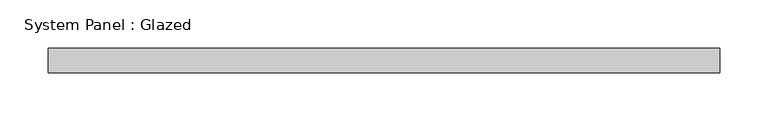
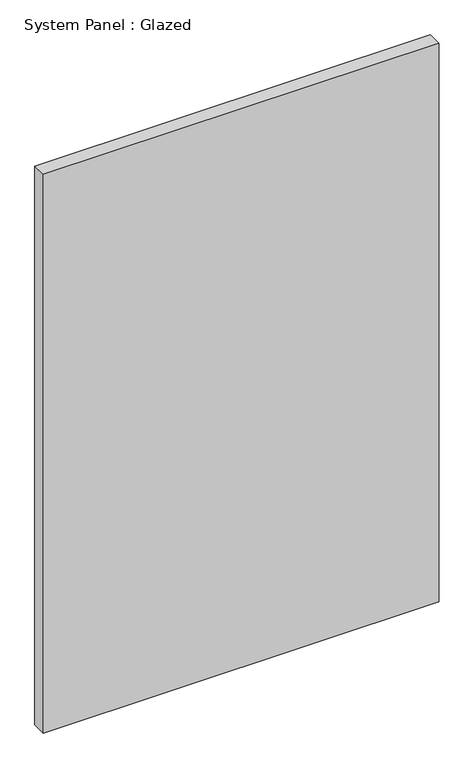
"""IFC4 building model written with IfcOpenShell, lengths in millimetres: plate geometry, System Panel : Glazed."""

from ifc_helpers import new_model, si_unit, origin, origin_with_axes, place, context, project, spatial, polyline, outline, extrude, source, transform, mapped, element, save


def system_panel_glazed_23a32a5b(model_context):
    return source(origin(), model_context, "Body", "SweptSolid", [
        extrude(outline(polyline([(346.86875, 19.05), (-346.86875, 19.05), (-346.86875, 44.45), (346.86875, 44.45), (346.86875, 19.05)])), origin_with_axes(), (0.0, 0.0, 1.0), 1035.05),
    ])


if __name__ == "__main__":
    model = new_model("IFC4")
    model_context = context("Model", 3, world=origin())
    ifc_project = project(units=[si_unit("LENGTHUNIT", "METRE", prefix="MILLI")], contexts=[model_context])
    site = spatial("IfcSite", under=ifc_project)
    building = spatial("IfcBuilding", under=site)
    placement = place(None, origin())
    system_panel_glazed_shape = system_panel_glazed_23a32a5b(model_context)
    element("IfcPlate", 1, ObjectType="System Panel : Glazed", at=placement, inside=building, context=model_context, shape_type="MappedRepresentation", body=[
        mapped(system_panel_glazed_shape, transform((0.0, 0.0, 0.0), x_axis=(1.0, 0.0, 0.0), y_axis=(0.0, 1.0, 0.0), z_axis=(0.0, 0.0, 1.0))),
    ])
    save(model, "model.ifc")
